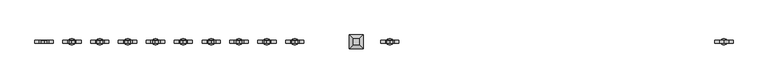
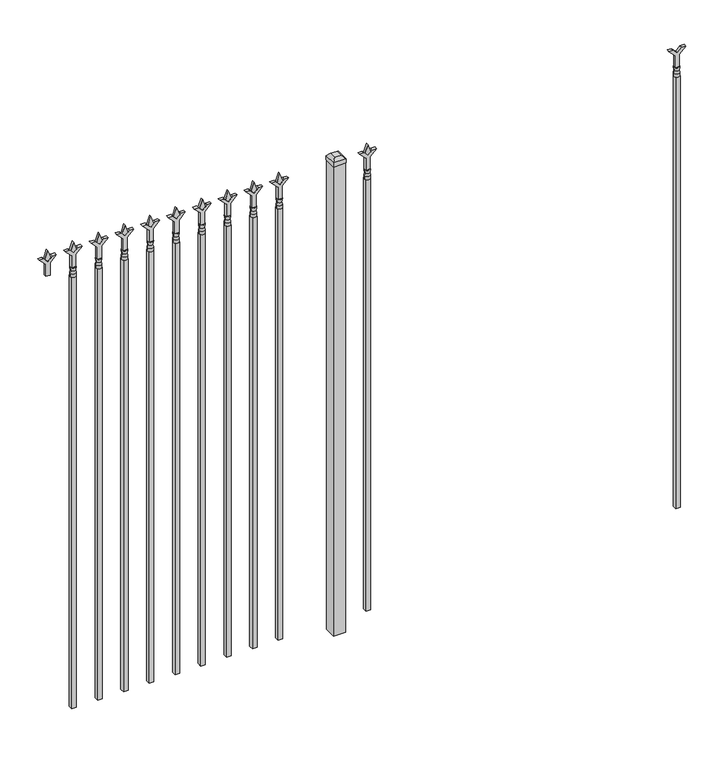
"""IFC4 building model written with IfcOpenShell, lengths in millimetres: railing geometry."""

from ifc_helpers import new_model, si_unit, frame, origin, origin_with_axes, place, context, project, spatial, polyline, circle_curve, outline, extrude, faceted_brep, source, transform, mapped, element, save
from ifc_brep_helpers import plane_surface, cylinder_surface, revolved_surface, advanced_brep


def railing_619da9cd(model_context):
    return source(origin(), model_context, "Body", "SolidModel", [
        extrude(outline(polyline([(2022.475, -58318.749337), (2076.7457378, -58318.749337), (2103.9355122, -58291.5595625), (2103.9355122, -58309.5200747), (2085.975, -58327.480587), (2103.9355122, -58345.4410992), (2103.9355122, -58363.4016114), (2076.7457378, -58336.211837), (2022.475, -58336.211837), (2022.475, -58318.749337)])), frame((0.0, -9176.0070174, 0.0), z_axis=(0.0, 1.0, 0.0), x_axis=(0.0, 0.0, 1.0)), (0.0, 0.0, 1.0), 12.7),
        advanced_brep(
        [(-58315.574337, -9169.6570174, 1993.9), (-58339.386837, -9169.6570174, 1993.9), (-58339.386837, -9169.6570174, 1981.2), (-58315.574337, -9169.6570174, 1981.2), (-58317.7796688, -9169.6570174, 2006.4070585), (-58337.1815051, -9169.6570174, 2006.4070585), (-58315.574337, -9169.6570174, 2022.475), (-58339.386837, -9169.6570174, 2022.475), (-58327.480587, -9169.6570174, 2022.475), (-58327.480587, -9169.6570174, 1981.2)],
        [
            (0, 1, circle_curve(frame((-58327.480587, -9169.6570174, 1993.9), z_axis=(0.0, 0.0, -1.0), x_axis=(-1.0, 0.0, 0.0)), 11.90625)),
            (1, 2),
            (2, 3, circle_curve(frame((-58327.480587, -9169.6570174, 1981.2), z_axis=(0.0, 0.0, 1.0), x_axis=(-1.0, 0.0, 0.0)), 11.90625)),
            (3, 0),
            (1, 0, circle_curve(frame((-58327.480587, -9169.6570174, 1993.9), z_axis=(0.0, 0.0, -1.0), x_axis=(-1.0, 0.0, 0.0)), 11.90625)),
            (3, 2, circle_curve(frame((-58327.480587, -9169.6570174, 1981.2), z_axis=(0.0, 0.0, 1.0), x_axis=(-1.0, 0.0, 0.0)), 11.90625)),
            (4, 5, circle_curve(frame((-58327.480587, -9169.6570174, 2006.4070585), z_axis=(0.0, 0.0, -1.0), x_axis=(-1.0, 0.0, 0.0)), 9.7009181)),
            (5, 1),
            (0, 4),
            (5, 4, circle_curve(frame((-58327.480587, -9169.6570174, 2006.4070585), z_axis=(0.0, 0.0, -1.0), x_axis=(-1.0, 0.0, 0.0)), 9.7009181)),
            (6, 7, circle_curve(frame((-58327.480587, -9169.6570174, 2022.475), z_axis=(0.0, 0.0, -1.0), x_axis=(-1.0, 0.0, 0.0)), 11.90625)),
            (7, 5),
            (4, 6),
            (7, 6, circle_curve(frame((-58327.480587, -9169.6570174, 2022.475), z_axis=(0.0, 0.0, -1.0), x_axis=(-1.0, 0.0, 0.0)), 11.90625)),
            (8, 7),
            (6, 8),
            (2, 9),
            (9, 3),
        ],
        [
            cylinder_surface(frame((-58327.480587, -9169.6570174, 1981.2), z_axis=(0.0, 0.0, 1.0), x_axis=(-1.0, 0.0, 0.0)), 11.90625),
            revolved_surface(polyline([(-58339.386837, -9169.6570174, 1993.9), (-58337.1815051, -9169.6570174, 2006.4070585)]), (-58327.480587, -9169.6570174, 1981.2), (0.0, 0.0, 1.0)),
            revolved_surface(polyline([(-58337.1815051, -9169.6570174, 2006.4070585), (-58339.386837, -9169.6570174, 2022.475)]), (-58327.480587, -9169.6570174, 1981.2), (0.0, 0.0, 1.0)),
            plane_surface(frame((-58327.480587, -9169.6570174, 2022.475), z_axis=(0.0, 0.0, 1.0), x_axis=(-1.0, 0.0, 0.0))),
            plane_surface(frame((-58327.480587, -9169.6570174, 1981.2), z_axis=(0.0, 0.0, -1.0), x_axis=(-1.0, 0.0, 0.0))),
        ],
        [
            (0, [[1, 2, 3, 4]]),
            (0, [[5, -4, 6, -2]]),
            (1, [[7, 8, -1, 9]]),
            (1, [[10, -9, -5, -8]]),
            (2, [[11, 12, -7, 13]]),
            (2, [[14, -13, -10, -12]]),
            (3, [[15, -11, 16]]),
            (3, [[-16, -14, -15]]),
            (4, [[-3, 17, 18]]),
            (4, [[-6, -18, -17]]),
        ],
    ),
        extrude(outline(polyline([(-58337.005587, -9160.1320174), (-58317.955587, -9160.1320174), (-58317.955587, -9179.1820174), (-58337.005587, -9179.1820174), (-58337.005587, -9160.1320174)])), frame((0.0, 0.0, 50.8), z_axis=(0.0, 0.0, 1.0), x_axis=(1.0, 0.0, 0.0)), (0.0, 0.0, 1.0), 1930.4),
        extrude(outline(polyline([(2097.88125, -59626.849337), (2133.6, -59638.755587), (2097.88125, -59650.661837), (2085.975, -59638.755587), (2097.88125, -59626.849337)])), frame((0.0, -9174.4195174, 0.0), z_axis=(0.0, 1.0, 0.0), x_axis=(0.0, 0.0, 1.0)), (0.0, 0.0, 1.0), 9.525),
        extrude(outline(polyline([(2022.475, -59630.024337), (2076.7457378, -59630.024337), (2103.9355122, -59602.8345625), (2103.9355122, -59620.7950747), (2085.975, -59638.755587), (2103.9355122, -59656.7160992), (2103.9355122, -59674.6766114), (2076.7457378, -59647.486837), (2022.475, -59647.486837), (2022.475, -59630.024337)])), frame((0.0, -9176.0070174, 0.0), z_axis=(0.0, 1.0, 0.0), x_axis=(0.0, 0.0, 1.0)), (0.0, 0.0, 1.0), 12.7),
        advanced_brep(
        [(-59626.849337, -9169.6570174, 1993.9), (-59650.661837, -9169.6570174, 1993.9), (-59650.661837, -9169.6570174, 1981.2), (-59626.849337, -9169.6570174, 1981.2), (-59629.0546688, -9169.6570174, 2006.4070585), (-59648.4565051, -9169.6570174, 2006.4070585), (-59626.849337, -9169.6570174, 2022.475), (-59650.661837, -9169.6570174, 2022.475), (-59638.755587, -9169.6570174, 2022.475), (-59638.755587, -9169.6570174, 1981.2)],
        [
            (0, 1, circle_curve(frame((-59638.755587, -9169.6570174, 1993.9), z_axis=(0.0, 0.0, -1.0), x_axis=(-1.0, 0.0, 0.0)), 11.90625)),
            (1, 2),
            (2, 3, circle_curve(frame((-59638.755587, -9169.6570174, 1981.2), z_axis=(0.0, 0.0, 1.0), x_axis=(-1.0, 0.0, 0.0)), 11.90625)),
            (3, 0),
            (1, 0, circle_curve(frame((-59638.755587, -9169.6570174, 1993.9), z_axis=(0.0, 0.0, -1.0), x_axis=(-1.0, 0.0, 0.0)), 11.90625)),
            (3, 2, circle_curve(frame((-59638.755587, -9169.6570174, 1981.2), z_axis=(0.0, 0.0, 1.0), x_axis=(-1.0, 0.0, 0.0)), 11.90625)),
            (4, 5, circle_curve(frame((-59638.755587, -9169.6570174, 2006.4070585), z_axis=(0.0, 0.0, -1.0), x_axis=(-1.0, 0.0, 0.0)), 9.7009181)),
            (5, 1),
            (0, 4),
            (5, 4, circle_curve(frame((-59638.755587, -9169.6570174, 2006.4070585), z_axis=(0.0, 0.0, -1.0), x_axis=(-1.0, 0.0, 0.0)), 9.7009181)),
            (6, 7, circle_curve(frame((-59638.755587, -9169.6570174, 2022.475), z_axis=(0.0, 0.0, -1.0), x_axis=(-1.0, 0.0, 0.0)), 11.90625)),
            (7, 5),
            (4, 6),
            (7, 6, circle_curve(frame((-59638.755587, -9169.6570174, 2022.475), z_axis=(0.0, 0.0, -1.0), x_axis=(-1.0, 0.0, 0.0)), 11.90625)),
            (8, 7),
            (6, 8),
            (2, 9),
            (9, 3),
        ],
        [
            cylinder_surface(frame((-59638.755587, -9169.6570174, 1981.2), z_axis=(0.0, 0.0, 1.0), x_axis=(-1.0, 0.0, 0.0)), 11.90625),
            revolved_surface(polyline([(-59650.661837, -9169.6570174, 1993.9), (-59648.4565051, -9169.6570174, 2006.4070585)]), (-59638.755587, -9169.6570174, 1981.2), (0.0, 0.0, 1.0)),
            revolved_surface(polyline([(-59648.4565051, -9169.6570174, 2006.4070585), (-59650.661837, -9169.6570174, 2022.475)]), (-59638.755587, -9169.6570174, 1981.2), (0.0, 0.0, 1.0)),
            plane_surface(frame((-59638.755587, -9169.6570174, 2022.475), z_axis=(0.0, 0.0, 1.0), x_axis=(-1.0, 0.0, 0.0))),
            plane_surface(frame((-59638.755587, -9169.6570174, 1981.2), z_axis=(0.0, 0.0, -1.0), x_axis=(-1.0, 0.0, 0.0))),
        ],
        [
            (0, [[1, 2, 3, 4]]),
            (0, [[5, -4, 6, -2]]),
            (1, [[7, 8, -1, 9]]),
            (1, [[10, -9, -5, -8]]),
            (2, [[11, 12, -7, 13]]),
            (2, [[14, -13, -10, -12]]),
            (3, [[15, -11, 16]]),
            (3, [[-16, -14, -15]]),
            (4, [[-3, 17, 18]]),
            (4, [[-6, -18, -17]]),
        ],
    ),
        extrude(outline(polyline([(-59648.280587, -9160.1320174), (-59629.230587, -9160.1320174), (-59629.230587, -9179.1820174), (-59648.280587, -9179.1820174), (-59648.280587, -9160.1320174)])), frame((0.0, 0.0, 50.8), z_axis=(0.0, 0.0, 1.0), x_axis=(1.0, 0.0, 0.0)), (0.0, 0.0, 1.0), 1930.4),
        extrude(outline(polyline([(-59745.118087, -9144.2570174), (-59745.118087, -9195.0570174), (-59795.918087, -9195.0570174), (-59795.918087, -9144.2570174), (-59745.118087, -9144.2570174)])), origin_with_axes(), (0.0, 0.0, 1.0), 2101.85),
        faceted_brep([(-59797.505587, -9142.6695174, 2120.9), (-59797.505587, -9142.6695174, 2101.85), (-59797.505587, -9196.6445174, 2101.85), (-59797.505587, -9196.6445174, 2120.9), (-59784.805587, -9155.3695174, 2133.6), (-59784.805587, -9183.9445174, 2133.6), (-59743.530587, -9196.6445174, 2101.85), (-59743.530587, -9196.6445174, 2120.9), (-59756.230587, -9183.9445174, 2133.6), (-59743.530587, -9142.6695174, 2101.85), (-59743.530587, -9142.6695174, 2120.9), (-59756.230587, -9155.3695174, 2133.6)], [[[0, 1, 2, 3]], [[4, 0, 3, 5]], [[3, 2, 6, 7]], [[5, 3, 7, 8]], [[7, 6, 9, 10]], [[8, 7, 10, 11]], [[10, 9, 1, 0]], [[11, 10, 0, 4]], [[5, 8, 11, 4]], [[1, 9, 6, 2]]]),
        extrude(outline(polyline([(2097.88125, -59999.6472536), (2133.6, -60011.5535036), (2097.88125, -60023.4597536), (2085.975, -60011.5535036), (2097.88125, -59999.6472536)])), frame((0.0, -9174.4195174, 0.0), z_axis=(0.0, 1.0, 0.0), x_axis=(0.0, 0.0, 1.0)), (0.0, 0.0, 1.0), 9.525),
        extrude(outline(polyline([(2022.475, -60002.8222536), (2076.7457378, -60002.8222536), (2103.9355122, -59975.6324791), (2103.9355122, -59993.5929914), (2085.975, -60011.5535036), (2103.9355122, -60029.5140159), (2103.9355122, -60047.4745281), (2076.7457378, -60020.2847536), (2022.475, -60020.2847536), (2022.475, -60002.8222536)])), frame((0.0, -9176.0070174, 0.0), z_axis=(0.0, 1.0, 0.0), x_axis=(0.0, 0.0, 1.0)), (0.0, 0.0, 1.0), 12.7),
        advanced_brep(
        [(-59999.6472536, -9169.6570174, 1993.9), (-60023.4597536, -9169.6570174, 1993.9), (-60023.4597536, -9169.6570174, 1981.2), (-59999.6472536, -9169.6570174, 1981.2), (-60001.8525855, -9169.6570174, 2006.4070585), (-60021.2544218, -9169.6570174, 2006.4070585), (-59999.6472536, -9169.6570174, 2022.475), (-60023.4597536, -9169.6570174, 2022.475), (-60011.5535036, -9169.6570174, 2022.475), (-60011.5535036, -9169.6570174, 1981.2)],
        [
            (0, 1, circle_curve(frame((-60011.5535036, -9169.6570174, 1993.9), z_axis=(0.0, 0.0, -1.0), x_axis=(-1.0, 0.0, 0.0)), 11.90625)),
            (1, 2),
            (2, 3, circle_curve(frame((-60011.5535036, -9169.6570174, 1981.2), z_axis=(0.0, 0.0, 1.0), x_axis=(-1.0, 0.0, 0.0)), 11.90625)),
            (3, 0),
            (1, 0, circle_curve(frame((-60011.5535036, -9169.6570174, 1993.9), z_axis=(0.0, 0.0, -1.0), x_axis=(-1.0, 0.0, 0.0)), 11.90625)),
            (3, 2, circle_curve(frame((-60011.5535036, -9169.6570174, 1981.2), z_axis=(0.0, 0.0, 1.0), x_axis=(-1.0, 0.0, 0.0)), 11.90625)),
            (4, 5, circle_curve(frame((-60011.5535036, -9169.6570174, 2006.4070585), z_axis=(0.0, 0.0, -1.0), x_axis=(-1.0, 0.0, 0.0)), 9.7009181)),
            (5, 1),
            (0, 4),
            (5, 4, circle_curve(frame((-60011.5535036, -9169.6570174, 2006.4070585), z_axis=(0.0, 0.0, -1.0), x_axis=(-1.0, 0.0, 0.0)), 9.7009181)),
            (6, 7, circle_curve(frame((-60011.5535036, -9169.6570174, 2022.475), z_axis=(0.0, 0.0, -1.0), x_axis=(-1.0, 0.0, 0.0)), 11.90625)),
            (7, 5),
            (4, 6),
            (7, 6, circle_curve(frame((-60011.5535036, -9169.6570174, 2022.475), z_axis=(0.0, 0.0, -1.0), x_axis=(-1.0, 0.0, 0.0)), 11.90625)),
            (8, 7),
            (6, 8),
            (2, 9),
            (9, 3),
        ],
        [
            cylinder_surface(frame((-60011.5535036, -9169.6570174, 1981.2), z_axis=(0.0, 0.0, 1.0), x_axis=(-1.0, 0.0, 0.0)), 11.90625),
            revolved_surface(polyline([(-60023.4597536, -9169.6570174, 1993.9), (-60021.2544218, -9169.6570174, 2006.4070585)]), (-60011.5535036, -9169.6570174, 1981.2), (0.0, 0.0, 1.0)),
            revolved_surface(polyline([(-60021.2544218, -9169.6570174, 2006.4070585), (-60023.4597536, -9169.6570174, 2022.475)]), (-60011.5535036, -9169.6570174, 1981.2), (0.0, 0.0, 1.0)),
            plane_surface(frame((-60011.5535036, -9169.6570174, 2022.475), z_axis=(0.0, 0.0, 1.0), x_axis=(-1.0, 0.0, 0.0))),
            plane_surface(frame((-60011.5535036, -9169.6570174, 1981.2), z_axis=(0.0, 0.0, -1.0), x_axis=(-1.0, 0.0, 0.0))),
        ],
        [
            (0, [[1, 2, 3, 4]]),
            (0, [[5, -4, 6, -2]]),
            (1, [[7, 8, -1, 9]]),
            (1, [[10, -9, -5, -8]]),
            (2, [[11, 12, -7, 13]]),
            (2, [[14, -13, -10, -12]]),
            (3, [[15, -11, 16]]),
            (3, [[-16, -14, -15]]),
            (4, [[-3, 17, 18]]),
            (4, [[-6, -18, -17]]),
        ],
    ),
        extrude(outline(polyline([(-60021.0785036, -9160.1320174), (-60002.0285036, -9160.1320174), (-60002.0285036, -9179.1820174), (-60021.0785036, -9179.1820174), (-60021.0785036, -9160.1320174)])), frame((0.0, 0.0, 50.8), z_axis=(0.0, 0.0, 1.0), x_axis=(1.0, 0.0, 0.0)), (0.0, 0.0, 1.0), 1930.4),
        extrude(outline(polyline([(2097.88125, -60108.9201703), (2133.6, -60120.8264203), (2097.88125, -60132.7326703), (2085.975, -60120.8264203), (2097.88125, -60108.9201703)])), frame((0.0, -9174.4195174, 0.0), z_axis=(0.0, 1.0, 0.0), x_axis=(0.0, 0.0, 1.0)), (0.0, 0.0, 1.0), 9.525),
        extrude(outline(polyline([(2022.475, -60112.0951703), (2076.7457378, -60112.0951703), (2103.9355122, -60084.9053958), (2103.9355122, -60102.8659081), (2085.975, -60120.8264203), (2103.9355122, -60138.7869325), (2103.9355122, -60156.7474448), (2076.7457378, -60129.5576703), (2022.475, -60129.5576703), (2022.475, -60112.0951703)])), frame((0.0, -9176.0070174, 0.0), z_axis=(0.0, 1.0, 0.0), x_axis=(0.0, 0.0, 1.0)), (0.0, 0.0, 1.0), 12.7),
        advanced_brep(
        [(-60108.9201703, -9169.6570174, 1993.9), (-60132.7326703, -9169.6570174, 1993.9), (-60132.7326703, -9169.6570174, 1981.2), (-60108.9201703, -9169.6570174, 1981.2), (-60111.1255022, -9169.6570174, 2006.4070585), (-60130.5273384, -9169.6570174, 2006.4070585), (-60108.9201703, -9169.6570174, 2022.475), (-60132.7326703, -9169.6570174, 2022.475), (-60120.8264203, -9169.6570174, 2022.475), (-60120.8264203, -9169.6570174, 1981.2)],
        [
            (0, 1, circle_curve(frame((-60120.8264203, -9169.6570174, 1993.9), z_axis=(0.0, 0.0, -1.0), x_axis=(-1.0, 0.0, 0.0)), 11.90625)),
            (1, 2),
            (2, 3, circle_curve(frame((-60120.8264203, -9169.6570174, 1981.2), z_axis=(0.0, 0.0, 1.0), x_axis=(-1.0, 0.0, 0.0)), 11.90625)),
            (3, 0),
            (1, 0, circle_curve(frame((-60120.8264203, -9169.6570174, 1993.9), z_axis=(0.0, 0.0, -1.0), x_axis=(-1.0, 0.0, 0.0)), 11.90625)),
            (3, 2, circle_curve(frame((-60120.8264203, -9169.6570174, 1981.2), z_axis=(0.0, 0.0, 1.0), x_axis=(-1.0, 0.0, 0.0)), 11.90625)),
            (4, 5, circle_curve(frame((-60120.8264203, -9169.6570174, 2006.4070585), z_axis=(0.0, 0.0, -1.0), x_axis=(-1.0, 0.0, 0.0)), 9.7009181)),
            (5, 1),
            (0, 4),
            (5, 4, circle_curve(frame((-60120.8264203, -9169.6570174, 2006.4070585), z_axis=(0.0, 0.0, -1.0), x_axis=(-1.0, 0.0, 0.0)), 9.7009181)),
            (6, 7, circle_curve(frame((-60120.8264203, -9169.6570174, 2022.475), z_axis=(0.0, 0.0, -1.0), x_axis=(-1.0, 0.0, 0.0)), 11.90625)),
            (7, 5),
            (4, 6),
            (7, 6, circle_curve(frame((-60120.8264203, -9169.6570174, 2022.475), z_axis=(0.0, 0.0, -1.0), x_axis=(-1.0, 0.0, 0.0)), 11.90625)),
            (8, 7),
            (6, 8),
            (2, 9),
            (9, 3),
        ],
        [
            cylinder_surface(frame((-60120.8264203, -9169.6570174, 1981.2), z_axis=(0.0, 0.0, 1.0), x_axis=(-1.0, 0.0, 0.0)), 11.90625),
            revolved_surface(polyline([(-60132.7326703, -9169.6570174, 1993.9), (-60130.5273384, -9169.6570174, 2006.4070585)]), (-60120.8264203, -9169.6570174, 1981.2), (0.0, 0.0, 1.0)),
            revolved_surface(polyline([(-60130.5273384, -9169.6570174, 2006.4070585), (-60132.7326703, -9169.6570174, 2022.475)]), (-60120.8264203, -9169.6570174, 1981.2), (0.0, 0.0, 1.0)),
            plane_surface(frame((-60120.8264203, -9169.6570174, 2022.475), z_axis=(0.0, 0.0, 1.0), x_axis=(-1.0, 0.0, 0.0))),
            plane_surface(frame((-60120.8264203, -9169.6570174, 1981.2), z_axis=(0.0, 0.0, -1.0), x_axis=(-1.0, 0.0, 0.0))),
        ],
        [
            (0, [[1, 2, 3, 4]]),
            (0, [[5, -4, 6, -2]]),
            (1, [[7, 8, -1, 9]]),
            (1, [[10, -9, -5, -8]]),
            (2, [[11, 12, -7, 13]]),
            (2, [[14, -13, -10, -12]]),
            (3, [[15, -11, 16]]),
            (3, [[-16, -14, -15]]),
            (4, [[-3, 17, 18]]),
            (4, [[-6, -18, -17]]),
        ],
    ),
        extrude(outline(polyline([(-60130.3514203, -9160.1320174), (-60111.3014203, -9160.1320174), (-60111.3014203, -9179.1820174), (-60130.3514203, -9179.1820174), (-60130.3514203, -9160.1320174)])), frame((0.0, 0.0, 50.8), z_axis=(0.0, 0.0, 1.0), x_axis=(1.0, 0.0, 0.0)), (0.0, 0.0, 1.0), 1930.4),
        extrude(outline(polyline([(2097.88125, -60218.193087), (2133.6, -60230.099337), (2097.88125, -60242.005587), (2085.975, -60230.099337), (2097.88125, -60218.193087)])), frame((0.0, -9174.4195174, 0.0), z_axis=(0.0, 1.0, 0.0), x_axis=(0.0, 0.0, 1.0)), (0.0, 0.0, 1.0), 9.525),
        extrude(outline(polyline([(2022.475, -60221.368087), (2076.7457378, -60221.368087), (2103.9355122, -60194.1783125), (2103.9355122, -60212.1388247), (2085.975, -60230.099337), (2103.9355122, -60248.0598492), (2103.9355122, -60266.0203614), (2076.7457378, -60238.830587), (2022.475, -60238.830587), (2022.475, -60221.368087)])), frame((0.0, -9176.0070174, 0.0), z_axis=(0.0, 1.0, 0.0), x_axis=(0.0, 0.0, 1.0)), (0.0, 0.0, 1.0), 12.7),
        advanced_brep(
        [(-60218.193087, -9169.6570174, 1993.9), (-60242.005587, -9169.6570174, 1993.9), (-60242.005587, -9169.6570174, 1981.2), (-60218.193087, -9169.6570174, 1981.2), (-60220.3984188, -9169.6570174, 2006.4070585), (-60239.8002551, -9169.6570174, 2006.4070585), (-60218.193087, -9169.6570174, 2022.475), (-60242.005587, -9169.6570174, 2022.475), (-60230.099337, -9169.6570174, 2022.475), (-60230.099337, -9169.6570174, 1981.2)],
        [
            (0, 1, circle_curve(frame((-60230.099337, -9169.6570174, 1993.9), z_axis=(0.0, 0.0, -1.0), x_axis=(-1.0, 0.0, 0.0)), 11.90625)),
            (1, 2),
            (2, 3, circle_curve(frame((-60230.099337, -9169.6570174, 1981.2), z_axis=(0.0, 0.0, 1.0), x_axis=(-1.0, 0.0, 0.0)), 11.90625)),
            (3, 0),
            (1, 0, circle_curve(frame((-60230.099337, -9169.6570174, 1993.9), z_axis=(0.0, 0.0, -1.0), x_axis=(-1.0, 0.0, 0.0)), 11.90625)),
            (3, 2, circle_curve(frame((-60230.099337, -9169.6570174, 1981.2), z_axis=(0.0, 0.0, 1.0), x_axis=(-1.0, 0.0, 0.0)), 11.90625)),
            (4, 5, circle_curve(frame((-60230.099337, -9169.6570174, 2006.4070585), z_axis=(0.0, 0.0, -1.0), x_axis=(-1.0, 0.0, 0.0)), 9.7009181)),
            (5, 1),
            (0, 4),
            (5, 4, circle_curve(frame((-60230.099337, -9169.6570174, 2006.4070585), z_axis=(0.0, 0.0, -1.0), x_axis=(-1.0, 0.0, 0.0)), 9.7009181)),
            (6, 7, circle_curve(frame((-60230.099337, -9169.6570174, 2022.475), z_axis=(0.0, 0.0, -1.0), x_axis=(-1.0, 0.0, 0.0)), 11.90625)),
            (7, 5),
            (4, 6),
            (7, 6, circle_curve(frame((-60230.099337, -9169.6570174, 2022.475), z_axis=(0.0, 0.0, -1.0), x_axis=(-1.0, 0.0, 0.0)), 11.90625)),
            (8, 7),
            (6, 8),
            (2, 9),
            (9, 3),
        ],
        [
            cylinder_surface(frame((-60230.099337, -9169.6570174, 1981.2), z_axis=(0.0, 0.0, 1.0), x_axis=(-1.0, 0.0, 0.0)), 11.90625),
            revolved_surface(polyline([(-60242.005587, -9169.6570174, 1993.9), (-60239.8002551, -9169.6570174, 2006.4070585)]), (-60230.099337, -9169.6570174, 1981.2), (0.0, 0.0, 1.0)),
            revolved_surface(polyline([(-60239.8002551, -9169.6570174, 2006.4070585), (-60242.005587, -9169.6570174, 2022.475)]), (-60230.099337, -9169.6570174, 1981.2), (0.0, 0.0, 1.0)),
            plane_surface(frame((-60230.099337, -9169.6570174, 2022.475), z_axis=(0.0, 0.0, 1.0), x_axis=(-1.0, 0.0, 0.0))),
            plane_surface(frame((-60230.099337, -9169.6570174, 1981.2), z_axis=(0.0, 0.0, -1.0), x_axis=(-1.0, 0.0, 0.0))),
        ],
        [
            (0, [[1, 2, 3, 4]]),
            (0, [[5, -4, 6, -2]]),
            (1, [[7, 8, -1, 9]]),
            (1, [[10, -9, -5, -8]]),
            (2, [[11, 12, -7, 13]]),
            (2, [[14, -13, -10, -12]]),
            (3, [[15, -11, 16]]),
            (3, [[-16, -14, -15]]),
            (4, [[-3, 17, 18]]),
            (4, [[-6, -18, -17]]),
        ],
    ),
        extrude(outline(polyline([(-60239.624337, -9160.1320174), (-60220.574337, -9160.1320174), (-60220.574337, -9179.1820174), (-60239.624337, -9179.1820174), (-60239.624337, -9160.1320174)])), frame((0.0, 0.0, 50.8), z_axis=(0.0, 0.0, 1.0), x_axis=(1.0, 0.0, 0.0)), (0.0, 0.0, 1.0), 1930.4),
        extrude(outline(polyline([(2097.88125, -60327.4660036), (2133.6, -60339.3722536), (2097.88125, -60351.2785036), (2085.975, -60339.3722536), (2097.88125, -60327.4660036)])), frame((0.0, -9174.4195174, 0.0), z_axis=(0.0, 1.0, 0.0), x_axis=(0.0, 0.0, 1.0)), (0.0, 0.0, 1.0), 9.525),
        extrude(outline(polyline([(2022.475, -60330.6410036), (2076.7457378, -60330.6410036), (2103.9355122, -60303.4512291), (2103.9355122, -60321.4117414), (2085.975, -60339.3722536), (2103.9355122, -60357.3327659), (2103.9355122, -60375.2932781), (2076.7457378, -60348.1035036), (2022.475, -60348.1035036), (2022.475, -60330.6410036)])), frame((0.0, -9176.0070174, 0.0), z_axis=(0.0, 1.0, 0.0), x_axis=(0.0, 0.0, 1.0)), (0.0, 0.0, 1.0), 12.7),
        advanced_brep(
        [(-60327.4660036, -9169.6570174, 1993.9), (-60351.2785036, -9169.6570174, 1993.9), (-60351.2785036, -9169.6570174, 1981.2), (-60327.4660036, -9169.6570174, 1981.2), (-60329.6713355, -9169.6570174, 2006.4070585), (-60349.0731718, -9169.6570174, 2006.4070585), (-60327.4660036, -9169.6570174, 2022.475), (-60351.2785036, -9169.6570174, 2022.475), (-60339.3722536, -9169.6570174, 2022.475), (-60339.3722536, -9169.6570174, 1981.2)],
        [
            (0, 1, circle_curve(frame((-60339.3722536, -9169.6570174, 1993.9), z_axis=(0.0, 0.0, -1.0), x_axis=(-1.0, 0.0, 0.0)), 11.90625)),
            (1, 2),
            (2, 3, circle_curve(frame((-60339.3722536, -9169.6570174, 1981.2), z_axis=(0.0, 0.0, 1.0), x_axis=(-1.0, 0.0, 0.0)), 11.90625)),
            (3, 0),
            (1, 0, circle_curve(frame((-60339.3722536, -9169.6570174, 1993.9), z_axis=(0.0, 0.0, -1.0), x_axis=(-1.0, 0.0, 0.0)), 11.90625)),
            (3, 2, circle_curve(frame((-60339.3722536, -9169.6570174, 1981.2), z_axis=(0.0, 0.0, 1.0), x_axis=(-1.0, 0.0, 0.0)), 11.90625)),
            (4, 5, circle_curve(frame((-60339.3722536, -9169.6570174, 2006.4070585), z_axis=(0.0, 0.0, -1.0), x_axis=(-1.0, 0.0, 0.0)), 9.7009181)),
            (5, 1),
            (0, 4),
            (5, 4, circle_curve(frame((-60339.3722536, -9169.6570174, 2006.4070585), z_axis=(0.0, 0.0, -1.0), x_axis=(-1.0, 0.0, 0.0)), 9.7009181)),
            (6, 7, circle_curve(frame((-60339.3722536, -9169.6570174, 2022.475), z_axis=(0.0, 0.0, -1.0), x_axis=(-1.0, 0.0, 0.0)), 11.90625)),
            (7, 5),
            (4, 6),
            (7, 6, circle_curve(frame((-60339.3722536, -9169.6570174, 2022.475), z_axis=(0.0, 0.0, -1.0), x_axis=(-1.0, 0.0, 0.0)), 11.90625)),
            (8, 7),
            (6, 8),
            (2, 9),
            (9, 3),
        ],
        [
            cylinder_surface(frame((-60339.3722536, -9169.6570174, 1981.2), z_axis=(0.0, 0.0, 1.0), x_axis=(-1.0, 0.0, 0.0)), 11.90625),
            revolved_surface(polyline([(-60351.2785036, -9169.6570174, 1993.9), (-60349.0731718, -9169.6570174, 2006.4070585)]), (-60339.3722536, -9169.6570174, 1981.2), (0.0, 0.0, 1.0)),
            revolved_surface(polyline([(-60349.0731718, -9169.6570174, 2006.4070585), (-60351.2785036, -9169.6570174, 2022.475)]), (-60339.3722536, -9169.6570174, 1981.2), (0.0, 0.0, 1.0)),
            plane_surface(frame((-60339.3722536, -9169.6570174, 2022.475), z_axis=(0.0, 0.0, 1.0), x_axis=(-1.0, 0.0, 0.0))),
            plane_surface(frame((-60339.3722536, -9169.6570174, 1981.2), z_axis=(0.0, 0.0, -1.0), x_axis=(-1.0, 0.0, 0.0))),
        ],
        [
            (0, [[1, 2, 3, 4]]),
            (0, [[5, -4, 6, -2]]),
            (1, [[7, 8, -1, 9]]),
            (1, [[10, -9, -5, -8]]),
            (2, [[11, 12, -7, 13]]),
            (2, [[14, -13, -10, -12]]),
            (3, [[15, -11, 16]]),
            (3, [[-16, -14, -15]]),
            (4, [[-3, 17, 18]]),
            (4, [[-6, -18, -17]]),
        ],
    ),
        extrude(outline(polyline([(-60348.8972536, -9160.1320174), (-60329.8472536, -9160.1320174), (-60329.8472536, -9179.1820174), (-60348.8972536, -9179.1820174), (-60348.8972536, -9160.1320174)])), frame((0.0, 0.0, 50.8), z_axis=(0.0, 0.0, 1.0), x_axis=(1.0, 0.0, 0.0)), (0.0, 0.0, 1.0), 1930.4),
        extrude(outline(polyline([(2097.88125, -60436.7389203), (2133.6, -60448.6451703), (2097.88125, -60460.5514203), (2085.975, -60448.6451703), (2097.88125, -60436.7389203)])), frame((0.0, -9174.4195174, 0.0), z_axis=(0.0, 1.0, 0.0), x_axis=(0.0, 0.0, 1.0)), (0.0, 0.0, 1.0), 9.525),
        extrude(outline(polyline([(2022.475, -60439.9139203), (2076.7457378, -60439.9139203), (2103.9355122, -60412.7241458), (2103.9355122, -60430.6846581), (2085.975, -60448.6451703), (2103.9355122, -60466.6056825), (2103.9355122, -60484.5661948), (2076.7457378, -60457.3764203), (2022.475, -60457.3764203), (2022.475, -60439.9139203)])), frame((0.0, -9176.0070174, 0.0), z_axis=(0.0, 1.0, 0.0), x_axis=(0.0, 0.0, 1.0)), (0.0, 0.0, 1.0), 12.7),
        advanced_brep(
        [(-60436.7389203, -9169.6570174, 1993.9), (-60460.5514203, -9169.6570174, 1993.9), (-60460.5514203, -9169.6570174, 1981.2), (-60436.7389203, -9169.6570174, 1981.2), (-60438.9442522, -9169.6570174, 2006.4070585), (-60458.3460884, -9169.6570174, 2006.4070585), (-60436.7389203, -9169.6570174, 2022.475), (-60460.5514203, -9169.6570174, 2022.475), (-60448.6451703, -9169.6570174, 2022.475), (-60448.6451703, -9169.6570174, 1981.2)],
        [
            (0, 1, circle_curve(frame((-60448.6451703, -9169.6570174, 1993.9), z_axis=(0.0, 0.0, -1.0), x_axis=(-1.0, 0.0, 0.0)), 11.90625)),
            (1, 2),
            (2, 3, circle_curve(frame((-60448.6451703, -9169.6570174, 1981.2), z_axis=(0.0, 0.0, 1.0), x_axis=(-1.0, 0.0, 0.0)), 11.90625)),
            (3, 0),
            (1, 0, circle_curve(frame((-60448.6451703, -9169.6570174, 1993.9), z_axis=(0.0, 0.0, -1.0), x_axis=(-1.0, 0.0, 0.0)), 11.90625)),
            (3, 2, circle_curve(frame((-60448.6451703, -9169.6570174, 1981.2), z_axis=(0.0, 0.0, 1.0), x_axis=(-1.0, 0.0, 0.0)), 11.90625)),
            (4, 5, circle_curve(frame((-60448.6451703, -9169.6570174, 2006.4070585), z_axis=(0.0, 0.0, -1.0), x_axis=(-1.0, 0.0, 0.0)), 9.7009181)),
            (5, 1),
            (0, 4),
            (5, 4, circle_curve(frame((-60448.6451703, -9169.6570174, 2006.4070585), z_axis=(0.0, 0.0, -1.0), x_axis=(-1.0, 0.0, 0.0)), 9.7009181)),
            (6, 7, circle_curve(frame((-60448.6451703, -9169.6570174, 2022.475), z_axis=(0.0, 0.0, -1.0), x_axis=(-1.0, 0.0, 0.0)), 11.90625)),
            (7, 5),
            (4, 6),
            (7, 6, circle_curve(frame((-60448.6451703, -9169.6570174, 2022.475), z_axis=(0.0, 0.0, -1.0), x_axis=(-1.0, 0.0, 0.0)), 11.90625)),
            (8, 7),
            (6, 8),
            (2, 9),
            (9, 3),
        ],
        [
            cylinder_surface(frame((-60448.6451703, -9169.6570174, 1981.2), z_axis=(0.0, 0.0, 1.0), x_axis=(-1.0, 0.0, 0.0)), 11.90625),
            revolved_surface(polyline([(-60460.5514203, -9169.6570174, 1993.9), (-60458.3460884, -9169.6570174, 2006.4070585)]), (-60448.6451703, -9169.6570174, 1981.2), (0.0, 0.0, 1.0)),
            revolved_surface(polyline([(-60458.3460884, -9169.6570174, 2006.4070585), (-60460.5514203, -9169.6570174, 2022.475)]), (-60448.6451703, -9169.6570174, 1981.2), (0.0, 0.0, 1.0)),
            plane_surface(frame((-60448.6451703, -9169.6570174, 2022.475), z_axis=(0.0, 0.0, 1.0), x_axis=(-1.0, 0.0, 0.0))),
            plane_surface(frame((-60448.6451703, -9169.6570174, 1981.2), z_axis=(0.0, 0.0, -1.0), x_axis=(-1.0, 0.0, 0.0))),
        ],
        [
            (0, [[1, 2, 3, 4]]),
            (0, [[5, -4, 6, -2]]),
            (1, [[7, 8, -1, 9]]),
            (1, [[10, -9, -5, -8]]),
            (2, [[11, 12, -7, 13]]),
            (2, [[14, -13, -10, -12]]),
            (3, [[15, -11, 16]]),
            (3, [[-16, -14, -15]]),
            (4, [[-3, 17, 18]]),
            (4, [[-6, -18, -17]]),
        ],
    ),
        extrude(outline(polyline([(-60458.1701703, -9160.1320174), (-60439.1201703, -9160.1320174), (-60439.1201703, -9179.1820174), (-60458.1701703, -9179.1820174), (-60458.1701703, -9160.1320174)])), frame((0.0, 0.0, 50.8), z_axis=(0.0, 0.0, 1.0), x_axis=(1.0, 0.0, 0.0)), (0.0, 0.0, 1.0), 1930.4),
        extrude(outline(polyline([(2097.88125, -60546.011837), (2133.6, -60557.918087), (2097.88125, -60569.824337), (2085.975, -60557.918087), (2097.88125, -60546.011837)])), frame((0.0, -9174.4195174, 0.0), z_axis=(0.0, 1.0, 0.0), x_axis=(0.0, 0.0, 1.0)), (0.0, 0.0, 1.0), 9.525),
        extrude(outline(polyline([(2022.475, -60549.186837), (2076.7457378, -60549.186837), (2103.9355122, -60521.9970625), (2103.9355122, -60539.9575747), (2085.975, -60557.918087), (2103.9355122, -60575.8785992), (2103.9355122, -60593.8391114), (2076.7457378, -60566.649337), (2022.475, -60566.649337), (2022.475, -60549.186837)])), frame((0.0, -9176.0070174, 0.0), z_axis=(0.0, 1.0, 0.0), x_axis=(0.0, 0.0, 1.0)), (0.0, 0.0, 1.0), 12.7),
        advanced_brep(
        [(-60546.011837, -9169.6570174, 1993.9), (-60569.824337, -9169.6570174, 1993.9), (-60569.824337, -9169.6570174, 1981.2), (-60546.011837, -9169.6570174, 1981.2), (-60548.2171688, -9169.6570174, 2006.4070585), (-60567.6190051, -9169.6570174, 2006.4070585), (-60546.011837, -9169.6570174, 2022.475), (-60569.824337, -9169.6570174, 2022.475), (-60557.918087, -9169.6570174, 2022.475), (-60557.918087, -9169.6570174, 1981.2)],
        [
            (0, 1, circle_curve(frame((-60557.918087, -9169.6570174, 1993.9), z_axis=(0.0, 0.0, -1.0), x_axis=(-1.0, 0.0, 0.0)), 11.90625)),
            (1, 2),
            (2, 3, circle_curve(frame((-60557.918087, -9169.6570174, 1981.2), z_axis=(0.0, 0.0, 1.0), x_axis=(-1.0, 0.0, 0.0)), 11.90625)),
            (3, 0),
            (1, 0, circle_curve(frame((-60557.918087, -9169.6570174, 1993.9), z_axis=(0.0, 0.0, -1.0), x_axis=(-1.0, 0.0, 0.0)), 11.90625)),
            (3, 2, circle_curve(frame((-60557.918087, -9169.6570174, 1981.2), z_axis=(0.0, 0.0, 1.0), x_axis=(-1.0, 0.0, 0.0)), 11.90625)),
            (4, 5, circle_curve(frame((-60557.918087, -9169.6570174, 2006.4070585), z_axis=(0.0, 0.0, -1.0), x_axis=(-1.0, 0.0, 0.0)), 9.7009181)),
            (5, 1),
            (0, 4),
            (5, 4, circle_curve(frame((-60557.918087, -9169.6570174, 2006.4070585), z_axis=(0.0, 0.0, -1.0), x_axis=(-1.0, 0.0, 0.0)), 9.7009181)),
            (6, 7, circle_curve(frame((-60557.918087, -9169.6570174, 2022.475), z_axis=(0.0, 0.0, -1.0), x_axis=(-1.0, 0.0, 0.0)), 11.90625)),
            (7, 5),
            (4, 6),
            (7, 6, circle_curve(frame((-60557.918087, -9169.6570174, 2022.475), z_axis=(0.0, 0.0, -1.0), x_axis=(-1.0, 0.0, 0.0)), 11.90625)),
            (8, 7),
            (6, 8),
            (2, 9),
            (9, 3),
        ],
        [
            cylinder_surface(frame((-60557.918087, -9169.6570174, 1981.2), z_axis=(0.0, 0.0, 1.0), x_axis=(-1.0, 0.0, 0.0)), 11.90625),
            revolved_surface(polyline([(-60569.824337, -9169.6570174, 1993.9), (-60567.6190051, -9169.6570174, 2006.4070585)]), (-60557.918087, -9169.6570174, 1981.2), (0.0, 0.0, 1.0)),
            revolved_surface(polyline([(-60567.6190051, -9169.6570174, 2006.4070585), (-60569.824337, -9169.6570174, 2022.475)]), (-60557.918087, -9169.6570174, 1981.2), (0.0, 0.0, 1.0)),
            plane_surface(frame((-60557.918087, -9169.6570174, 2022.475), z_axis=(0.0, 0.0, 1.0), x_axis=(-1.0, 0.0, 0.0))),
            plane_surface(frame((-60557.918087, -9169.6570174, 1981.2), z_axis=(0.0, 0.0, -1.0), x_axis=(-1.0, 0.0, 0.0))),
        ],
        [
            (0, [[1, 2, 3, 4]]),
            (0, [[5, -4, 6, -2]]),
            (1, [[7, 8, -1, 9]]),
            (1, [[10, -9, -5, -8]]),
            (2, [[11, 12, -7, 13]]),
            (2, [[14, -13, -10, -12]]),
            (3, [[15, -11, 16]]),
            (3, [[-16, -14, -15]]),
            (4, [[-3, 17, 18]]),
            (4, [[-6, -18, -17]]),
        ],
    ),
        extrude(outline(polyline([(-60567.443087, -9160.1320174), (-60548.393087, -9160.1320174), (-60548.393087, -9179.1820174), (-60567.443087, -9179.1820174), (-60567.443087, -9160.1320174)])), frame((0.0, 0.0, 50.8), z_axis=(0.0, 0.0, 1.0), x_axis=(1.0, 0.0, 0.0)), (0.0, 0.0, 1.0), 1930.4),
        extrude(outline(polyline([(2097.88125, -60655.2847536), (2133.6, -60667.1910036), (2097.88125, -60679.0972536), (2085.975, -60667.1910036), (2097.88125, -60655.2847536)])), frame((0.0, -9174.4195174, 0.0), z_axis=(0.0, 1.0, 0.0), x_axis=(0.0, 0.0, 1.0)), (0.0, 0.0, 1.0), 9.525),
        extrude(outline(polyline([(2022.475, -60658.4597536), (2076.7457378, -60658.4597536), (2103.9355122, -60631.2699791), (2103.9355122, -60649.2304914), (2085.975, -60667.1910036), (2103.9355122, -60685.1515159), (2103.9355122, -60703.1120281), (2076.7457378, -60675.9222536), (2022.475, -60675.9222536), (2022.475, -60658.4597536)])), frame((0.0, -9176.0070174, 0.0), z_axis=(0.0, 1.0, 0.0), x_axis=(0.0, 0.0, 1.0)), (0.0, 0.0, 1.0), 12.7),
        advanced_brep(
        [(-60655.2847536, -9169.6570174, 1993.9), (-60679.0972536, -9169.6570174, 1993.9), (-60679.0972536, -9169.6570174, 1981.2), (-60655.2847536, -9169.6570174, 1981.2), (-60657.4900855, -9169.6570174, 2006.4070585), (-60676.8919218, -9169.6570174, 2006.4070585), (-60655.2847536, -9169.6570174, 2022.475), (-60679.0972536, -9169.6570174, 2022.475), (-60667.1910036, -9169.6570174, 2022.475), (-60667.1910036, -9169.6570174, 1981.2)],
        [
            (0, 1, circle_curve(frame((-60667.1910036, -9169.6570174, 1993.9), z_axis=(0.0, 0.0, -1.0), x_axis=(-1.0, 0.0, 0.0)), 11.90625)),
            (1, 2),
            (2, 3, circle_curve(frame((-60667.1910036, -9169.6570174, 1981.2), z_axis=(0.0, 0.0, 1.0), x_axis=(-1.0, 0.0, 0.0)), 11.90625)),
            (3, 0),
            (1, 0, circle_curve(frame((-60667.1910036, -9169.6570174, 1993.9), z_axis=(0.0, 0.0, -1.0), x_axis=(-1.0, 0.0, 0.0)), 11.90625)),
            (3, 2, circle_curve(frame((-60667.1910036, -9169.6570174, 1981.2), z_axis=(0.0, 0.0, 1.0), x_axis=(-1.0, 0.0, 0.0)), 11.90625)),
            (4, 5, circle_curve(frame((-60667.1910036, -9169.6570174, 2006.4070585), z_axis=(0.0, 0.0, -1.0), x_axis=(-1.0, 0.0, 0.0)), 9.7009181)),
            (5, 1),
            (0, 4),
            (5, 4, circle_curve(frame((-60667.1910036, -9169.6570174, 2006.4070585), z_axis=(0.0, 0.0, -1.0), x_axis=(-1.0, 0.0, 0.0)), 9.7009181)),
            (6, 7, circle_curve(frame((-60667.1910036, -9169.6570174, 2022.475), z_axis=(0.0, 0.0, -1.0), x_axis=(-1.0, 0.0, 0.0)), 11.90625)),
            (7, 5),
            (4, 6),
            (7, 6, circle_curve(frame((-60667.1910036, -9169.6570174, 2022.475), z_axis=(0.0, 0.0, -1.0), x_axis=(-1.0, 0.0, 0.0)), 11.90625)),
            (8, 7),
            (6, 8),
            (2, 9),
            (9, 3),
        ],
        [
            cylinder_surface(frame((-60667.1910036, -9169.6570174, 1981.2), z_axis=(0.0, 0.0, 1.0), x_axis=(-1.0, 0.0, 0.0)), 11.90625),
            revolved_surface(polyline([(-60679.0972536, -9169.6570174, 1993.9), (-60676.8919218, -9169.6570174, 2006.4070585)]), (-60667.1910036, -9169.6570174, 1981.2), (0.0, 0.0, 1.0)),
            revolved_surface(polyline([(-60676.8919218, -9169.6570174, 2006.4070585), (-60679.0972536, -9169.6570174, 2022.475)]), (-60667.1910036, -9169.6570174, 1981.2), (0.0, 0.0, 1.0)),
            plane_surface(frame((-60667.1910036, -9169.6570174, 2022.475), z_axis=(0.0, 0.0, 1.0), x_axis=(-1.0, 0.0, 0.0))),
            plane_surface(frame((-60667.1910036, -9169.6570174, 1981.2), z_axis=(0.0, 0.0, -1.0), x_axis=(-1.0, 0.0, 0.0))),
        ],
        [
            (0, [[1, 2, 3, 4]]),
            (0, [[5, -4, 6, -2]]),
            (1, [[7, 8, -1, 9]]),
            (1, [[10, -9, -5, -8]]),
            (2, [[11, 12, -7, 13]]),
            (2, [[14, -13, -10, -12]]),
            (3, [[15, -11, 16]]),
            (3, [[-16, -14, -15]]),
            (4, [[-3, 17, 18]]),
            (4, [[-6, -18, -17]]),
        ],
    ),
        extrude(outline(polyline([(-60676.7160036, -9160.1320174), (-60657.6660036, -9160.1320174), (-60657.6660036, -9179.1820174), (-60676.7160036, -9179.1820174), (-60676.7160036, -9160.1320174)])), frame((0.0, 0.0, 50.8), z_axis=(0.0, 0.0, 1.0), x_axis=(1.0, 0.0, 0.0)), (0.0, 0.0, 1.0), 1930.4),
        extrude(outline(polyline([(2097.88125, -60764.5576703), (2133.6, -60776.4639203), (2097.88125, -60788.3701703), (2085.975, -60776.4639203), (2097.88125, -60764.5576703)])), frame((0.0, -9174.4195174, 0.0), z_axis=(0.0, 1.0, 0.0), x_axis=(0.0, 0.0, 1.0)), (0.0, 0.0, 1.0), 9.525),
        extrude(outline(polyline([(2022.475, -60767.7326703), (2076.7457378, -60767.7326703), (2103.9355122, -60740.5428958), (2103.9355122, -60758.5034081), (2085.975, -60776.4639203), (2103.9355122, -60794.4244325), (2103.9355122, -60812.3849448), (2076.7457378, -60785.1951703), (2022.475, -60785.1951703), (2022.475, -60767.7326703)])), frame((0.0, -9176.0070174, 0.0), z_axis=(0.0, 1.0, 0.0), x_axis=(0.0, 0.0, 1.0)), (0.0, 0.0, 1.0), 12.7),
        advanced_brep(
        [(-60764.5576703, -9169.6570174, 1993.9), (-60788.3701703, -9169.6570174, 1993.9), (-60788.3701703, -9169.6570174, 1981.2), (-60764.5576703, -9169.6570174, 1981.2), (-60766.7630022, -9169.6570174, 2006.4070585), (-60786.1648384, -9169.6570174, 2006.4070585), (-60764.5576703, -9169.6570174, 2022.475), (-60788.3701703, -9169.6570174, 2022.475), (-60776.4639203, -9169.6570174, 2022.475), (-60776.4639203, -9169.6570174, 1981.2)],
        [
            (0, 1, circle_curve(frame((-60776.4639203, -9169.6570174, 1993.9), z_axis=(0.0, 0.0, -1.0), x_axis=(-1.0, 0.0, 0.0)), 11.90625)),
            (1, 2),
            (2, 3, circle_curve(frame((-60776.4639203, -9169.6570174, 1981.2), z_axis=(0.0, 0.0, 1.0), x_axis=(-1.0, 0.0, 0.0)), 11.90625)),
            (3, 0),
            (1, 0, circle_curve(frame((-60776.4639203, -9169.6570174, 1993.9), z_axis=(0.0, 0.0, -1.0), x_axis=(-1.0, 0.0, 0.0)), 11.90625)),
            (3, 2, circle_curve(frame((-60776.4639203, -9169.6570174, 1981.2), z_axis=(0.0, 0.0, 1.0), x_axis=(-1.0, 0.0, 0.0)), 11.90625)),
            (4, 5, circle_curve(frame((-60776.4639203, -9169.6570174, 2006.4070585), z_axis=(0.0, 0.0, -1.0), x_axis=(-1.0, 0.0, 0.0)), 9.7009181)),
            (5, 1),
            (0, 4),
            (5, 4, circle_curve(frame((-60776.4639203, -9169.6570174, 2006.4070585), z_axis=(0.0, 0.0, -1.0), x_axis=(-1.0, 0.0, 0.0)), 9.7009181)),
            (6, 7, circle_curve(frame((-60776.4639203, -9169.6570174, 2022.475), z_axis=(0.0, 0.0, -1.0), x_axis=(-1.0, 0.0, 0.0)), 11.90625)),
            (7, 5),
            (4, 6),
            (7, 6, circle_curve(frame((-60776.4639203, -9169.6570174, 2022.475), z_axis=(0.0, 0.0, -1.0), x_axis=(-1.0, 0.0, 0.0)), 11.90625)),
            (8, 7),
            (6, 8),
            (2, 9),
            (9, 3),
        ],
        [
            cylinder_surface(frame((-60776.4639203, -9169.6570174, 1981.2), z_axis=(0.0, 0.0, 1.0), x_axis=(-1.0, 0.0, 0.0)), 11.90625),
            revolved_surface(polyline([(-60788.3701703, -9169.6570174, 1993.9), (-60786.1648384, -9169.6570174, 2006.4070585)]), (-60776.4639203, -9169.6570174, 1981.2), (0.0, 0.0, 1.0)),
            revolved_surface(polyline([(-60786.1648384, -9169.6570174, 2006.4070585), (-60788.3701703, -9169.6570174, 2022.475)]), (-60776.4639203, -9169.6570174, 1981.2), (0.0, 0.0, 1.0)),
            plane_surface(frame((-60776.4639203, -9169.6570174, 2022.475), z_axis=(0.0, 0.0, 1.0), x_axis=(-1.0, 0.0, 0.0))),
            plane_surface(frame((-60776.4639203, -9169.6570174, 1981.2), z_axis=(0.0, 0.0, -1.0), x_axis=(-1.0, 0.0, 0.0))),
        ],
        [
            (0, [[1, 2, 3, 4]]),
            (0, [[5, -4, 6, -2]]),
            (1, [[7, 8, -1, 9]]),
            (1, [[10, -9, -5, -8]]),
            (2, [[11, 12, -7, 13]]),
            (2, [[14, -13, -10, -12]]),
            (3, [[15, -11, 16]]),
            (3, [[-16, -14, -15]]),
            (4, [[-3, 17, 18]]),
            (4, [[-6, -18, -17]]),
        ],
    ),
        extrude(outline(polyline([(-60785.9889203, -9160.1320174), (-60766.9389203, -9160.1320174), (-60766.9389203, -9179.1820174), (-60785.9889203, -9179.1820174), (-60785.9889203, -9160.1320174)])), frame((0.0, 0.0, 50.8), z_axis=(0.0, 0.0, 1.0), x_axis=(1.0, 0.0, 0.0)), (0.0, 0.0, 1.0), 1930.4),
        extrude(outline(polyline([(2097.88125, -60873.830587), (2133.6, -60885.736837), (2097.88125, -60897.643087), (2085.975, -60885.736837), (2097.88125, -60873.830587)])), frame((0.0, -9174.4195174, 0.0), z_axis=(0.0, 1.0, 0.0), x_axis=(0.0, 0.0, 1.0)), (0.0, 0.0, 1.0), 9.525),
        extrude(outline(polyline([(2022.475, -60877.005587), (2076.7457378, -60877.005587), (2103.9355122, -60849.8158125), (2103.9355122, -60867.7763247), (2085.975, -60885.736837), (2103.9355122, -60903.6973492), (2103.9355122, -60921.6578614), (2076.7457378, -60894.468087), (2022.475, -60894.468087), (2022.475, -60877.005587)])), frame((0.0, -9176.0070174, 0.0), z_axis=(0.0, 1.0, 0.0), x_axis=(0.0, 0.0, 1.0)), (0.0, 0.0, 1.0), 12.7),
        advanced_brep(
        [(-60873.830587, -9169.6570174, 1993.9), (-60897.643087, -9169.6570174, 1993.9), (-60897.643087, -9169.6570174, 1981.2), (-60873.830587, -9169.6570174, 1981.2), (-60876.0359188, -9169.6570174, 2006.4070585), (-60895.4377551, -9169.6570174, 2006.4070585), (-60873.830587, -9169.6570174, 2022.475), (-60897.643087, -9169.6570174, 2022.475), (-60885.736837, -9169.6570174, 2022.475), (-60885.736837, -9169.6570174, 1981.2)],
        [
            (0, 1, circle_curve(frame((-60885.736837, -9169.6570174, 1993.9), z_axis=(0.0, 0.0, -1.0), x_axis=(-1.0, 0.0, 0.0)), 11.90625)),
            (1, 2),
            (2, 3, circle_curve(frame((-60885.736837, -9169.6570174, 1981.2), z_axis=(0.0, 0.0, 1.0), x_axis=(-1.0, 0.0, 0.0)), 11.90625)),
            (3, 0),
            (1, 0, circle_curve(frame((-60885.736837, -9169.6570174, 1993.9), z_axis=(0.0, 0.0, -1.0), x_axis=(-1.0, 0.0, 0.0)), 11.90625)),
            (3, 2, circle_curve(frame((-60885.736837, -9169.6570174, 1981.2), z_axis=(0.0, 0.0, 1.0), x_axis=(-1.0, 0.0, 0.0)), 11.90625)),
            (4, 5, circle_curve(frame((-60885.736837, -9169.6570174, 2006.4070585), z_axis=(0.0, 0.0, -1.0), x_axis=(-1.0, 0.0, 0.0)), 9.7009181)),
            (5, 1),
            (0, 4),
            (5, 4, circle_curve(frame((-60885.736837, -9169.6570174, 2006.4070585), z_axis=(0.0, 0.0, -1.0), x_axis=(-1.0, 0.0, 0.0)), 9.7009181)),
            (6, 7, circle_curve(frame((-60885.736837, -9169.6570174, 2022.475), z_axis=(0.0, 0.0, -1.0), x_axis=(-1.0, 0.0, 0.0)), 11.90625)),
            (7, 5),
            (4, 6),
            (7, 6, circle_curve(frame((-60885.736837, -9169.6570174, 2022.475), z_axis=(0.0, 0.0, -1.0), x_axis=(-1.0, 0.0, 0.0)), 11.90625)),
            (8, 7),
            (6, 8),
            (2, 9),
            (9, 3),
        ],
        [
            cylinder_surface(frame((-60885.736837, -9169.6570174, 1981.2), z_axis=(0.0, 0.0, 1.0), x_axis=(-1.0, 0.0, 0.0)), 11.90625),
            revolved_surface(polyline([(-60897.643087, -9169.6570174, 1993.9), (-60895.4377551, -9169.6570174, 2006.4070585)]), (-60885.736837, -9169.6570174, 1981.2), (0.0, 0.0, 1.0)),
            revolved_surface(polyline([(-60895.4377551, -9169.6570174, 2006.4070585), (-60897.643087, -9169.6570174, 2022.475)]), (-60885.736837, -9169.6570174, 1981.2), (0.0, 0.0, 1.0)),
            plane_surface(frame((-60885.736837, -9169.6570174, 2022.475), z_axis=(0.0, 0.0, 1.0), x_axis=(-1.0, 0.0, 0.0))),
            plane_surface(frame((-60885.736837, -9169.6570174, 1981.2), z_axis=(0.0, 0.0, -1.0), x_axis=(-1.0, 0.0, 0.0))),
        ],
        [
            (0, [[1, 2, 3, 4]]),
            (0, [[5, -4, 6, -2]]),
            (1, [[7, 8, -1, 9]]),
            (1, [[10, -9, -5, -8]]),
            (2, [[11, 12, -7, 13]]),
            (2, [[14, -13, -10, -12]]),
            (3, [[15, -11, 16]]),
            (3, [[-16, -14, -15]]),
            (4, [[-3, 17, 18]]),
            (4, [[-6, -18, -17]]),
        ],
    ),
        extrude(outline(polyline([(-60895.261837, -9160.1320174), (-60876.211837, -9160.1320174), (-60876.211837, -9179.1820174), (-60895.261837, -9179.1820174), (-60895.261837, -9160.1320174)])), frame((0.0, 0.0, 50.8), z_axis=(0.0, 0.0, 1.0), x_axis=(1.0, 0.0, 0.0)), (0.0, 0.0, 1.0), 1930.4),
        extrude(outline(polyline([(2097.88125, -60983.1035036), (2133.6, -60995.0097536), (2097.88125, -61006.9160036), (2085.975, -60995.0097536), (2097.88125, -60983.1035036)])), frame((0.0, -9174.4195174, 0.0), z_axis=(0.0, 1.0, 0.0), x_axis=(0.0, 0.0, 1.0)), (0.0, 0.0, 1.0), 9.525),
        extrude(outline(polyline([(2022.475, -60986.2785036), (2076.7457378, -60986.2785036), (2103.9355122, -60959.0887291), (2103.9355122, -60977.0492414), (2085.975, -60995.0097536), (2103.9355122, -61012.9702659), (2103.9355122, -61030.9307781), (2076.7457378, -61003.7410036), (2022.475, -61003.7410036), (2022.475, -60986.2785036)])), frame((0.0, -9176.0070174, 0.0), z_axis=(0.0, 1.0, 0.0), x_axis=(0.0, 0.0, 1.0)), (0.0, 0.0, 1.0), 12.7),
    ])


if __name__ == "__main__":
    model = new_model("IFC4")
    model_context = context("Model", 3, world=origin())
    ifc_project = project(units=[si_unit("LENGTHUNIT", "METRE", prefix="MILLI")], contexts=[model_context])
    site = spatial("IfcSite", under=ifc_project)
    building = spatial("IfcBuilding", under=site)
    placement = place(None, origin())
    railing_shape = railing_619da9cd(model_context)
    element("IfcRailing", 1, at=placement, inside=building, context=model_context, shape_type="MappedRepresentation", body=[
        mapped(railing_shape, transform((0.0, 0.0, 0.0), x_axis=(1.0, 0.0, 0.0), y_axis=(0.0, 1.0, 0.0), z_axis=(0.0, 0.0, 1.0))),
    ])
    save(model, "model.ifc")
